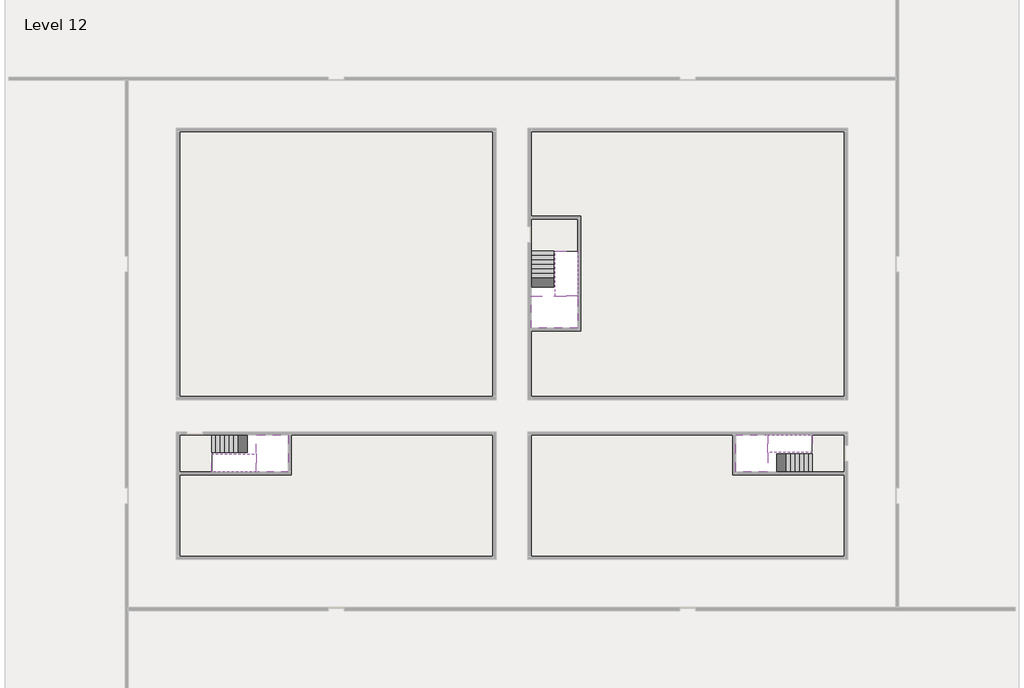
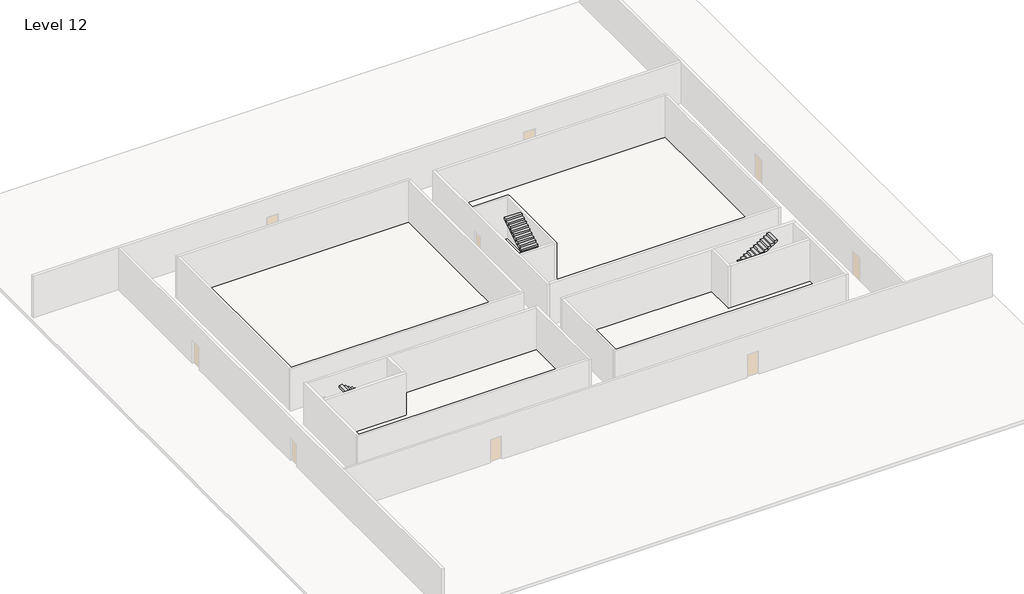
# One storey, part 2 of 2: 6 stair flights, 5 slabs.
"""IFC4 building model written with IfcOpenShell, lengths in millimetres."""

from ifc_helpers import new_model, si_unit, frame, origin, place, context, project, spatial, polyline, outline, extrude, faceted_brep, element, save

model = new_model("IFC4")

# Units and contexts
model_context = context("Model", 3, world=origin())
ifc_project = project(units=[si_unit("LENGTHUNIT", "METRE", prefix="MILLI")], contexts=[model_context])

# Site, building, storey
site = spatial("IfcSite", under=ifc_project)
building = spatial("IfcBuilding", under=site)
storey = spatial("IfcBuildingStorey", under=building, Name="Level 12", Elevation=41800.0)

# Slabs
placement = place(None, origin())
element("IfcSlab", 1, at=placement, inside=storey, context=model_context, shape_type="Brep", body=[
    faceted_brep([(8190.1058784, -42918.09644, 43700.0), (8190.1058784, -44018.09644, 43700.0), (8190.1058784, -44118.09644, 43700.0), (8190.1058784, -45218.09644, 43700.0), (8390.7194421, -45218.09644, 43700.0), (10190.1058784, -45218.09644, 43700.0), (10190.1058784, -42918.09644, 43700.0), (8269.4923146, -42918.09644, 43700.0), (8190.1058784, -42918.09644, 43527.2727273), (8190.1058784, -42918.09644, 43351.0278478), (8190.1058784, -44018.09644, 43351.0278478), (8190.1058784, -44018.09644, 43400.0), (8190.1058784, -44118.09644, 43400.0), (8190.1058784, -44118.09644, 43523.7551205), (8190.1058784, -45218.09644, 43523.7551205), (8390.7194421, -45218.09644, 43400.0), (10190.1058784, -45218.09644, 43400.0), (10190.1058784, -42918.09644, 43400.0), (8269.4923146, -42918.09644, 43400.0), (8390.7194421, -44118.09644, 43400.0), (8269.4923146, -44018.09644, 43400.0)], [[[0, 1, 2, 3, 4, 5, 6, 7]], [[1, 0, 8, 9, 10, 11]], [[2, 1, 11, 12, 13]], [[3, 2, 13, 14]], [[3, 14, 15, 16, 5, 4]], [[6, 5, 16, 17]], [[9, 8, 0, 7, 6, 17, 18]], [[19, 12, 11, 20, 18, 17, 16, 15]], [[12, 19, 13]], [[18, 20, 10, 9]], [[20, 11, 10]], [[19, 15, 14, 13]]]),
])
element("IfcSlab", 2, at=placement, inside=storey, context=model_context, shape_type="Brep", body=[
    faceted_brep([(40190.1058784, -45218.09644, 43700.0), (40190.1058784, -44118.09644, 43700.0), (40190.1058784, -44018.09644, 43700.0), (40190.1058784, -42918.09644, 43700.0), (39989.4923146, -42918.09644, 43700.0), (38190.1058784, -42918.09644, 43700.0), (38190.1058784, -45218.09644, 43700.0), (40110.7194421, -45218.09644, 43700.0), (40190.1058784, -45218.09644, 43527.2727273), (40190.1058784, -45218.09644, 43351.0278478), (40190.1058784, -44118.09644, 43351.0278478), (40190.1058784, -44118.09644, 43400.0), (40190.1058784, -44018.09644, 43400.0), (40190.1058784, -44018.09644, 43523.7551205), (40190.1058784, -42918.09644, 43523.7551205), (39989.4923146, -42918.09644, 43400.0), (38190.1058784, -42918.09644, 43400.0), (38190.1058784, -45218.09644, 43400.0), (40110.7194421, -45218.09644, 43400.0), (39989.4923146, -44018.09644, 43400.0), (40110.7194421, -44118.09644, 43400.0)], [[[0, 1, 2, 3, 4, 5, 6, 7]], [[1, 0, 8, 9, 10, 11]], [[2, 1, 11, 12, 13]], [[3, 2, 13, 14]], [[3, 14, 15, 16, 5, 4]], [[6, 5, 16, 17]], [[9, 8, 0, 7, 6, 17, 18]], [[19, 12, 11, 20, 18, 17, 16, 15]], [[12, 19, 13]], [[18, 20, 10, 9]], [[20, 11, 10]], [[19, 15, 14, 13]]]),
])
element("IfcSlab", 3, at=placement, inside=storey, context=model_context, shape_type="Brep", body=[
    faceted_brep([(26790.1058784, -34218.09644, 43700.0), (25390.1058784, -34218.09644, 43700.0), (25390.1058784, -34297.4828763, 43700.0), (25390.1058784, -36218.09644, 43700.0), (28290.1058784, -36218.09644, 43700.0), (28290.1058784, -34418.7100038, 43700.0), (28290.1058784, -34218.09644, 43700.0), (26890.1058784, -34218.09644, 43700.0), (26790.1058784, -34218.09644, 43400.0), (26790.1058784, -34218.09644, 43351.0278478), (25390.1058784, -34218.09644, 43351.0278478), (25390.1058784, -34218.09644, 43527.2727273), (25390.1058784, -34297.4828763, 43400.0), (25390.1058784, -36218.09644, 43400.0), (28290.1058784, -36218.09644, 43400.0), (28290.1058784, -34418.7100038, 43400.0), (28290.1058784, -34218.09644, 43523.7551205), (26890.1058784, -34218.09644, 43523.7551205), (26890.1058784, -34218.09644, 43400.0), (26890.1058784, -34418.7100038, 43400.0), (26790.1058784, -34297.4828763, 43400.0)], [[[0, 1, 2, 3, 4, 5, 6, 7]], [[1, 0, 8, 9, 10, 11]], [[1, 11, 10, 12, 13, 3, 2]], [[4, 3, 13, 14]], [[4, 14, 15, 16, 6, 5]], [[7, 6, 16, 17]], [[0, 7, 17, 18, 8]], [[18, 19, 15, 14, 13, 12, 20, 8]], [[19, 18, 17]], [[20, 12, 10, 9]], [[8, 20, 9]], [[15, 19, 17, 16]]]),
])
element("IfcSlab", 4, at=placement, inside=storey, context=model_context, shape_type="SweptSolid", body=[
    extrude(outline(polyline([(22990.1058784, -23918.09644), (22990.1058784, -40518.09644), (3390.1058784, -40518.09644), (3390.1058784, -23918.09644), (22990.1058784, -23918.09644)])), frame((0.0, 0.0, 41500.0), z_axis=(0.0, 0.0, 1.0), x_axis=(1.0, 0.0, 0.0)), (0.0, 0.0, 1.0), 300.0),
    extrude(outline(polyline([(44990.1058784, -23918.09644), (44990.1058784, -40518.09644), (25390.1058784, -40518.09644), (25390.1058784, -36418.09644), (28490.1058784, -36418.09644), (28490.1058784, -29218.09644), (25390.1058784, -29218.09644), (25390.1058784, -23918.09644), (44990.1058784, -23918.09644)])), frame((0.0, 0.0, 41500.0), z_axis=(0.0, 0.0, 1.0), x_axis=(1.0, 0.0, 0.0)), (0.0, 0.0, 1.0), 300.0),
    extrude(outline(polyline([(22990.1058784, -42918.09644), (22990.1058784, -50518.09644), (3390.1058784, -50518.09644), (3390.1058784, -45418.09644), (10390.1058784, -45418.09644), (10390.1058784, -42918.09644), (22990.1058784, -42918.09644)])), frame((0.0, 0.0, 41500.0), z_axis=(0.0, 0.0, 1.0), x_axis=(1.0, 0.0, 0.0)), (0.0, 0.0, 1.0), 300.0),
    extrude(outline(polyline([(37990.1058784, -42918.09644), (37990.1058784, -45418.09644), (44990.1058784, -45418.09644), (44990.1058784, -50518.09644), (25390.1058784, -50518.09644), (25390.1058784, -42918.09644), (37990.1058784, -42918.09644)])), frame((0.0, 0.0, 41500.0), z_axis=(0.0, 0.0, 1.0), x_axis=(1.0, 0.0, 0.0)), (0.0, 0.0, 1.0), 300.0),
])
element("IfcSlab", 5, at=placement, inside=storey, context=model_context, shape_type="SweptSolid", body=[
    extrude(outline(polyline([(44990.1058784, -42918.09644), (44990.1058784, -45218.09644), (42990.1058784, -45218.09644), (42990.1058784, -42918.09644), (44990.1058784, -42918.09644)])), frame((0.0, 0.0, 41500.0), z_axis=(0.0, 0.0, 1.0), x_axis=(1.0, 0.0, 0.0)), (0.0, 0.0, 1.0), 300.0),
    extrude(outline(polyline([(5390.1058784, -42918.09644), (5390.1058784, -45218.09644), (3390.1058784, -45218.09644), (3390.1058784, -42918.09644), (5390.1058784, -42918.09644)])), frame((0.0, 0.0, 41500.0), z_axis=(0.0, 0.0, 1.0), x_axis=(1.0, 0.0, 0.0)), (0.0, 0.0, 1.0), 300.0),
    extrude(outline(polyline([(28290.1058784, -29418.09644), (28290.1058784, -31418.09644), (25390.1058784, -31418.09644), (25390.1058784, -29418.09644), (28290.1058784, -29418.09644)])), frame((0.0, 0.0, 41500.0), z_axis=(0.0, 0.0, 1.0), x_axis=(1.0, 0.0, 0.0)), (0.0, 0.0, 1.0), 300.0),
])

# Stair flights
element("IfcStairFlight", 6, at=placement, inside=storey, context=model_context, shape_type="Brep", body=[
    faceted_brep([(5670.1058784, -42918.09644, 41972.7272727), (5390.1058784, -42918.09644, 41972.7272727), (5390.1058784, -44018.09644, 41972.7272727), (5670.1058784, -44018.09644, 41972.7272727), (5670.1058784, -42918.09644, 41800.0), (5390.1058784, -42918.09644, 41800.0), (5390.1058784, -44018.09644, 41800.0), (5670.1058784, -44018.09644, 41800.0), (5950.1058784, -42918.09644, 42145.4545455), (5670.1058784, -42918.09644, 42145.4545455), (5670.1058784, -44018.09644, 42145.4545455), (5950.1058784, -44018.09644, 42145.4545455), (5950.1058784, -42918.09644, 41969.209666), (5675.8081041, -42918.09644, 41800.0), (5675.8081041, -44018.09644, 41800.0), (5950.1058784, -44018.09644, 41969.209666), (6230.1058784, -42918.09644, 42318.1818182), (5950.1058784, -42918.09644, 42318.1818182), (5950.1058784, -44018.09644, 42318.1818182), (6230.1058784, -44018.09644, 42318.1818182), (6230.1058784, -42918.09644, 42141.9369387), (6230.1058784, -44018.09644, 42141.9369387), (6510.1058784, -42918.09644, 42490.9090909), (6230.1058784, -42918.09644, 42490.9090909), (6230.1058784, -44018.09644, 42490.9090909), (6510.1058784, -44018.09644, 42490.9090909), (6510.1058784, -42918.09644, 42314.6642114), (6510.1058784, -44018.09644, 42314.6642114), (6790.1058784, -42918.09644, 42663.6363636), (6510.1058784, -42918.09644, 42663.6363636), (6510.1058784, -44018.09644, 42663.6363636), (6790.1058784, -44018.09644, 42663.6363636), (6790.1058784, -42918.09644, 42487.3914841), (6790.1058784, -44018.09644, 42487.3914841), (7070.1058784, -42918.09644, 42836.3636364), (6790.1058784, -42918.09644, 42836.3636364), (6790.1058784, -44018.09644, 42836.3636364), (7070.1058784, -44018.09644, 42836.3636364), (7070.1058784, -42918.09644, 42660.1187569), (7070.1058784, -44018.09644, 42660.1187569), (7350.1058784, -42918.09644, 43009.0909091), (7070.1058784, -42918.09644, 43009.0909091), (7070.1058784, -44018.09644, 43009.0909091), (7350.1058784, -44018.09644, 43009.0909091), (7350.1058784, -42918.09644, 42832.8460296), (7350.1058784, -44018.09644, 42832.8460296), (7630.1058784, -42918.09644, 43181.8181818), (7350.1058784, -42918.09644, 43181.8181818), (7350.1058784, -44018.09644, 43181.8181818), (7630.1058784, -44018.09644, 43181.8181818), (7630.1058784, -42918.09644, 43005.5733023), (7630.1058784, -44018.09644, 43005.5733023), (7910.1058784, -42918.09644, 43354.5454545), (7630.1058784, -42918.09644, 43354.5454545), (7630.1058784, -44018.09644, 43354.5454545), (7910.1058784, -44018.09644, 43354.5454545), (7910.1058784, -42918.09644, 43178.3005751), (7910.1058784, -44018.09644, 43178.3005751), (8190.1058784, -42918.09644, 43527.2727273), (7910.1058784, -42918.09644, 43527.2727273), (7910.1058784, -44018.09644, 43527.2727273), (8190.1058784, -44018.09644, 43527.2727273), (8190.1058784, -42918.09644, 43351.0278478), (8190.1058784, -44018.09644, 43351.0278478), (8190.1058784, -44018.09644, 43400.0)], [[[0, 1, 2, 3]], [[1, 0, 4, 5]], [[2, 1, 5, 6]], [[3, 2, 6, 7]], [[8, 9, 10, 11]], [[4, 0, 9, 8, 12, 13]], [[0, 3, 10, 9]], [[3, 7, 14, 15, 11, 10]], [[16, 17, 18, 19]], [[17, 16, 20, 12, 8]], [[8, 11, 18, 17]], [[19, 18, 11, 15, 21]], [[22, 23, 24, 25]], [[23, 22, 26, 20, 16]], [[16, 19, 24, 23]], [[25, 24, 19, 21, 27]], [[28, 29, 30, 31]], [[29, 28, 32, 26, 22]], [[22, 25, 30, 29]], [[31, 30, 25, 27, 33]], [[34, 35, 36, 37]], [[35, 34, 38, 32, 28]], [[28, 31, 36, 35]], [[37, 36, 31, 33, 39]], [[40, 41, 42, 43]], [[41, 40, 44, 38, 34]], [[34, 37, 42, 41]], [[43, 42, 37, 39, 45]], [[46, 47, 48, 49]], [[47, 46, 50, 44, 40]], [[40, 43, 48, 47]], [[49, 48, 43, 45, 51]], [[52, 53, 54, 55]], [[53, 52, 56, 50, 46]], [[46, 49, 54, 53]], [[55, 54, 49, 51, 57]], [[58, 59, 60, 61]], [[59, 58, 62, 56, 52]], [[52, 55, 60, 59]], [[61, 60, 55, 57, 63, 64]], [[58, 61, 64, 63, 62]], [[5, 4, 13, 14, 7, 6]], [[14, 13, 12, 20, 26, 32, 38, 44, 50, 56, 62, 63, 57, 51, 45, 39, 33, 27, 21, 15]]]),
])
element("IfcStairFlight", 7, at=placement, inside=storey, context=model_context, shape_type="Brep", body=[
    faceted_brep([(7910.1058784, -45218.09644, 43872.7272727), (8190.1058784, -45218.09644, 43872.7272727), (8190.1058784, -44118.09644, 43872.7272727), (7910.1058784, -44118.09644, 43872.7272727), (7910.1058784, -45218.09644, 43696.4823932), (8190.1058784, -45218.09644, 43523.7551205), (8190.1058784, -45218.09644, 43700.0), (8190.1058784, -44118.09644, 43523.7551205), (7910.1058784, -44118.09644, 43696.4823932), (7630.1058784, -45218.09644, 44045.4545455), (7910.1058784, -45218.09644, 44045.4545455), (7910.1058784, -44118.09644, 44045.4545455), (7630.1058784, -44118.09644, 44045.4545455), (7630.1058784, -45218.09644, 43869.209666), (7630.1058784, -44118.09644, 43869.209666), (7350.1058784, -45218.09644, 44218.1818182), (7630.1058784, -45218.09644, 44218.1818182), (7630.1058784, -44118.09644, 44218.1818182), (7350.1058784, -44118.09644, 44218.1818182), (7350.1058784, -45218.09644, 44041.9369387), (7350.1058784, -44118.09644, 44041.9369387), (7070.1058784, -45218.09644, 44390.9090909), (7350.1058784, -45218.09644, 44390.9090909), (7350.1058784, -44118.09644, 44390.9090909), (7070.1058784, -44118.09644, 44390.9090909), (7070.1058784, -45218.09644, 44214.6642114), (7070.1058784, -44118.09644, 44214.6642114), (6790.1058784, -45218.09644, 44563.6363636), (7070.1058784, -45218.09644, 44563.6363636), (7070.1058784, -44118.09644, 44563.6363636), (6790.1058784, -44118.09644, 44563.6363636), (6790.1058784, -45218.09644, 44387.3914841), (6790.1058784, -44118.09644, 44387.3914841), (6510.1058784, -45218.09644, 44736.3636364), (6790.1058784, -45218.09644, 44736.3636364), (6790.1058784, -44118.09644, 44736.3636364), (6510.1058784, -44118.09644, 44736.3636364), (6510.1058784, -45218.09644, 44560.1187569), (6510.1058784, -44118.09644, 44560.1187569), (6230.1058784, -45218.09644, 44909.0909091), (6510.1058784, -45218.09644, 44909.0909091), (6510.1058784, -44118.09644, 44909.0909091), (6230.1058784, -44118.09644, 44909.0909091), (6230.1058784, -45218.09644, 44732.8460296), (6230.1058784, -44118.09644, 44732.8460296), (5950.1058784, -45218.09644, 45081.8181818), (6230.1058784, -45218.09644, 45081.8181818), (6230.1058784, -44118.09644, 45081.8181818), (5950.1058784, -44118.09644, 45081.8181818), (5950.1058784, -45218.09644, 44905.5733023), (5950.1058784, -44118.09644, 44905.5733023), (5670.1058784, -45218.09644, 45254.5454545), (5950.1058784, -45218.09644, 45254.5454545), (5950.1058784, -44118.09644, 45254.5454545), (5670.1058784, -44118.09644, 45254.5454545), (5670.1058784, -45218.09644, 45078.3005751), (5670.1058784, -44118.09644, 45078.3005751), (5390.1058784, -45218.09644, 45427.2727273), (5670.1058784, -45218.09644, 45427.2727273), (5670.1058784, -44118.09644, 45427.2727273), (5390.1058784, -44118.09644, 45427.2727273), (5390.1058784, -45218.09644, 45251.0278478), (5390.1058784, -44118.09644, 45251.0278478)], [[[0, 1, 2, 3]], [[1, 0, 4, 5, 6]], [[2, 1, 6, 5, 7]], [[3, 2, 7, 8]], [[9, 10, 11, 12]], [[10, 9, 13, 4, 0]], [[11, 10, 0, 3]], [[12, 11, 3, 8, 14]], [[15, 16, 17, 18]], [[16, 15, 19, 13, 9]], [[17, 16, 9, 12]], [[18, 17, 12, 14, 20]], [[21, 22, 23, 24]], [[22, 21, 25, 19, 15]], [[23, 22, 15, 18]], [[24, 23, 18, 20, 26]], [[27, 28, 29, 30]], [[28, 27, 31, 25, 21]], [[29, 28, 21, 24]], [[30, 29, 24, 26, 32]], [[33, 34, 35, 36]], [[34, 33, 37, 31, 27]], [[35, 34, 27, 30]], [[36, 35, 30, 32, 38]], [[39, 40, 41, 42]], [[40, 39, 43, 37, 33]], [[41, 40, 33, 36]], [[42, 41, 36, 38, 44]], [[45, 46, 47, 48]], [[46, 45, 49, 43, 39]], [[47, 46, 39, 42]], [[48, 47, 42, 44, 50]], [[51, 52, 53, 54]], [[52, 51, 55, 49, 45]], [[53, 52, 45, 48]], [[54, 53, 48, 50, 56]], [[57, 58, 59, 60]], [[58, 57, 61, 55, 51]], [[59, 58, 51, 54]], [[60, 59, 54, 56, 62]], [[57, 60, 62, 61]], [[5, 4, 13, 19, 25, 31, 37, 43, 49, 55, 61, 62, 56, 50, 44, 38, 32, 26, 20, 14, 8, 7]]]),
])
element("IfcStairFlight", 8, at=placement, inside=storey, context=model_context, shape_type="Brep", body=[
    faceted_brep([(42710.1058784, -45218.09644, 41972.7272727), (42990.1058784, -45218.09644, 41972.7272727), (42990.1058784, -44118.09644, 41972.7272727), (42710.1058784, -44118.09644, 41972.7272727), (42710.1058784, -45218.09644, 41800.0), (42990.1058784, -45218.09644, 41800.0), (42990.1058784, -44118.09644, 41800.0), (42710.1058784, -44118.09644, 41800.0), (42430.1058784, -45218.09644, 42145.4545455), (42710.1058784, -45218.09644, 42145.4545455), (42710.1058784, -44118.09644, 42145.4545455), (42430.1058784, -44118.09644, 42145.4545455), (42430.1058784, -45218.09644, 41969.209666), (42704.4036527, -45218.09644, 41800.0), (42704.4036527, -44118.09644, 41800.0), (42430.1058784, -44118.09644, 41969.209666), (42150.1058784, -45218.09644, 42318.1818182), (42430.1058784, -45218.09644, 42318.1818182), (42430.1058784, -44118.09644, 42318.1818182), (42150.1058784, -44118.09644, 42318.1818182), (42150.1058784, -45218.09644, 42141.9369387), (42150.1058784, -44118.09644, 42141.9369387), (41870.1058784, -45218.09644, 42490.9090909), (42150.1058784, -45218.09644, 42490.9090909), (42150.1058784, -44118.09644, 42490.9090909), (41870.1058784, -44118.09644, 42490.9090909), (41870.1058784, -45218.09644, 42314.6642114), (41870.1058784, -44118.09644, 42314.6642114), (41590.1058784, -45218.09644, 42663.6363636), (41870.1058784, -45218.09644, 42663.6363636), (41870.1058784, -44118.09644, 42663.6363636), (41590.1058784, -44118.09644, 42663.6363636), (41590.1058784, -45218.09644, 42487.3914841), (41590.1058784, -44118.09644, 42487.3914841), (41310.1058784, -45218.09644, 42836.3636364), (41590.1058784, -45218.09644, 42836.3636364), (41590.1058784, -44118.09644, 42836.3636364), (41310.1058784, -44118.09644, 42836.3636364), (41310.1058784, -45218.09644, 42660.1187569), (41310.1058784, -44118.09644, 42660.1187569), (41030.1058784, -45218.09644, 43009.0909091), (41310.1058784, -45218.09644, 43009.0909091), (41310.1058784, -44118.09644, 43009.0909091), (41030.1058784, -44118.09644, 43009.0909091), (41030.1058784, -45218.09644, 42832.8460296), (41030.1058784, -44118.09644, 42832.8460296), (40750.1058784, -45218.09644, 43181.8181818), (41030.1058784, -45218.09644, 43181.8181818), (41030.1058784, -44118.09644, 43181.8181818), (40750.1058784, -44118.09644, 43181.8181818), (40750.1058784, -45218.09644, 43005.5733023), (40750.1058784, -44118.09644, 43005.5733023), (40470.1058784, -45218.09644, 43354.5454545), (40750.1058784, -45218.09644, 43354.5454545), (40750.1058784, -44118.09644, 43354.5454545), (40470.1058784, -44118.09644, 43354.5454545), (40470.1058784, -45218.09644, 43178.3005751), (40470.1058784, -44118.09644, 43178.3005751), (40190.1058784, -45218.09644, 43527.2727273), (40470.1058784, -45218.09644, 43527.2727273), (40470.1058784, -44118.09644, 43527.2727273), (40190.1058784, -44118.09644, 43527.2727273), (40190.1058784, -45218.09644, 43351.0278478), (40190.1058784, -44118.09644, 43351.0278478), (40190.1058784, -44118.09644, 43400.0)], [[[0, 1, 2, 3]], [[1, 0, 4, 5]], [[2, 1, 5, 6]], [[3, 2, 6, 7]], [[8, 9, 10, 11]], [[4, 0, 9, 8, 12, 13]], [[0, 3, 10, 9]], [[3, 7, 14, 15, 11, 10]], [[16, 17, 18, 19]], [[17, 16, 20, 12, 8]], [[8, 11, 18, 17]], [[19, 18, 11, 15, 21]], [[22, 23, 24, 25]], [[23, 22, 26, 20, 16]], [[16, 19, 24, 23]], [[25, 24, 19, 21, 27]], [[28, 29, 30, 31]], [[29, 28, 32, 26, 22]], [[22, 25, 30, 29]], [[31, 30, 25, 27, 33]], [[34, 35, 36, 37]], [[35, 34, 38, 32, 28]], [[28, 31, 36, 35]], [[37, 36, 31, 33, 39]], [[40, 41, 42, 43]], [[41, 40, 44, 38, 34]], [[34, 37, 42, 41]], [[43, 42, 37, 39, 45]], [[46, 47, 48, 49]], [[47, 46, 50, 44, 40]], [[40, 43, 48, 47]], [[49, 48, 43, 45, 51]], [[52, 53, 54, 55]], [[53, 52, 56, 50, 46]], [[46, 49, 54, 53]], [[55, 54, 49, 51, 57]], [[58, 59, 60, 61]], [[59, 58, 62, 56, 52]], [[52, 55, 60, 59]], [[61, 60, 55, 57, 63, 64]], [[58, 61, 64, 63, 62]], [[5, 4, 13, 14, 7, 6]], [[14, 13, 12, 20, 26, 32, 38, 44, 50, 56, 62, 63, 57, 51, 45, 39, 33, 27, 21, 15]]]),
])
element("IfcStairFlight", 9, at=placement, inside=storey, context=model_context, shape_type="Brep", body=[
    faceted_brep([(40470.1058784, -42918.09644, 43872.7272727), (40190.1058784, -42918.09644, 43872.7272727), (40190.1058784, -44018.09644, 43872.7272727), (40470.1058784, -44018.09644, 43872.7272727), (40470.1058784, -42918.09644, 43696.4823932), (40190.1058784, -42918.09644, 43523.7551205), (40190.1058784, -42918.09644, 43700.0), (40190.1058784, -44018.09644, 43523.7551205), (40470.1058784, -44018.09644, 43696.4823932), (40750.1058784, -42918.09644, 44045.4545455), (40470.1058784, -42918.09644, 44045.4545455), (40470.1058784, -44018.09644, 44045.4545455), (40750.1058784, -44018.09644, 44045.4545455), (40750.1058784, -42918.09644, 43869.209666), (40750.1058784, -44018.09644, 43869.209666), (41030.1058784, -42918.09644, 44218.1818182), (40750.1058784, -42918.09644, 44218.1818182), (40750.1058784, -44018.09644, 44218.1818182), (41030.1058784, -44018.09644, 44218.1818182), (41030.1058784, -42918.09644, 44041.9369387), (41030.1058784, -44018.09644, 44041.9369387), (41310.1058784, -42918.09644, 44390.9090909), (41030.1058784, -42918.09644, 44390.9090909), (41030.1058784, -44018.09644, 44390.9090909), (41310.1058784, -44018.09644, 44390.9090909), (41310.1058784, -42918.09644, 44214.6642114), (41310.1058784, -44018.09644, 44214.6642114), (41590.1058784, -42918.09644, 44563.6363636), (41310.1058784, -42918.09644, 44563.6363636), (41310.1058784, -44018.09644, 44563.6363636), (41590.1058784, -44018.09644, 44563.6363636), (41590.1058784, -42918.09644, 44387.3914841), (41590.1058784, -44018.09644, 44387.3914841), (41870.1058784, -42918.09644, 44736.3636364), (41590.1058784, -42918.09644, 44736.3636364), (41590.1058784, -44018.09644, 44736.3636364), (41870.1058784, -44018.09644, 44736.3636364), (41870.1058784, -42918.09644, 44560.1187569), (41870.1058784, -44018.09644, 44560.1187569), (42150.1058784, -42918.09644, 44909.0909091), (41870.1058784, -42918.09644, 44909.0909091), (41870.1058784, -44018.09644, 44909.0909091), (42150.1058784, -44018.09644, 44909.0909091), (42150.1058784, -42918.09644, 44732.8460296), (42150.1058784, -44018.09644, 44732.8460296), (42430.1058784, -42918.09644, 45081.8181818), (42150.1058784, -42918.09644, 45081.8181818), (42150.1058784, -44018.09644, 45081.8181818), (42430.1058784, -44018.09644, 45081.8181818), (42430.1058784, -42918.09644, 44905.5733023), (42430.1058784, -44018.09644, 44905.5733023), (42710.1058784, -42918.09644, 45254.5454545), (42430.1058784, -42918.09644, 45254.5454545), (42430.1058784, -44018.09644, 45254.5454545), (42710.1058784, -44018.09644, 45254.5454545), (42710.1058784, -42918.09644, 45078.3005751), (42710.1058784, -44018.09644, 45078.3005751), (42990.1058784, -42918.09644, 45427.2727273), (42710.1058784, -42918.09644, 45427.2727273), (42710.1058784, -44018.09644, 45427.2727273), (42990.1058784, -44018.09644, 45427.2727273), (42990.1058784, -42918.09644, 45251.0278478), (42990.1058784, -44018.09644, 45251.0278478)], [[[0, 1, 2, 3]], [[1, 0, 4, 5, 6]], [[2, 1, 6, 5, 7]], [[3, 2, 7, 8]], [[9, 10, 11, 12]], [[10, 9, 13, 4, 0]], [[11, 10, 0, 3]], [[12, 11, 3, 8, 14]], [[15, 16, 17, 18]], [[16, 15, 19, 13, 9]], [[17, 16, 9, 12]], [[18, 17, 12, 14, 20]], [[21, 22, 23, 24]], [[22, 21, 25, 19, 15]], [[23, 22, 15, 18]], [[24, 23, 18, 20, 26]], [[27, 28, 29, 30]], [[28, 27, 31, 25, 21]], [[29, 28, 21, 24]], [[30, 29, 24, 26, 32]], [[33, 34, 35, 36]], [[34, 33, 37, 31, 27]], [[35, 34, 27, 30]], [[36, 35, 30, 32, 38]], [[39, 40, 41, 42]], [[40, 39, 43, 37, 33]], [[41, 40, 33, 36]], [[42, 41, 36, 38, 44]], [[45, 46, 47, 48]], [[46, 45, 49, 43, 39]], [[47, 46, 39, 42]], [[48, 47, 42, 44, 50]], [[51, 52, 53, 54]], [[52, 51, 55, 49, 45]], [[53, 52, 45, 48]], [[54, 53, 48, 50, 56]], [[57, 58, 59, 60]], [[58, 57, 61, 55, 51]], [[59, 58, 51, 54]], [[60, 59, 54, 56, 62]], [[57, 60, 62, 61]], [[5, 4, 13, 19, 25, 31, 37, 43, 49, 55, 61, 62, 56, 50, 44, 38, 32, 26, 20, 14, 8, 7]]]),
])
element("IfcStairFlight", 10, at=placement, inside=storey, context=model_context, shape_type="Brep", body=[
    faceted_brep([(26790.1058784, -31698.09644, 41972.7272727), (26790.1058784, -31418.09644, 41972.7272727), (25390.1058784, -31418.09644, 41972.7272727), (25390.1058784, -31698.09644, 41972.7272727), (26790.1058784, -31698.09644, 41800.0), (26790.1058784, -31418.09644, 41800.0), (25390.1058784, -31418.09644, 41800.0), (25390.1058784, -31698.09644, 41800.0), (26790.1058784, -31978.09644, 42145.4545455), (26790.1058784, -31698.09644, 42145.4545455), (25390.1058784, -31698.09644, 42145.4545455), (25390.1058784, -31978.09644, 42145.4545455), (26790.1058784, -31978.09644, 41969.209666), (26790.1058784, -31703.7986657, 41800.0), (25390.1058784, -31703.7986657, 41800.0), (25390.1058784, -31978.09644, 41969.209666), (26790.1058784, -32258.09644, 42318.1818182), (26790.1058784, -31978.09644, 42318.1818182), (25390.1058784, -31978.09644, 42318.1818182), (25390.1058784, -32258.09644, 42318.1818182), (26790.1058784, -32258.09644, 42141.9369387), (25390.1058784, -32258.09644, 42141.9369387), (26790.1058784, -32538.09644, 42490.9090909), (26790.1058784, -32258.09644, 42490.9090909), (25390.1058784, -32258.09644, 42490.9090909), (25390.1058784, -32538.09644, 42490.9090909), (26790.1058784, -32538.09644, 42314.6642114), (25390.1058784, -32538.09644, 42314.6642114), (26790.1058784, -32818.09644, 42663.6363636), (26790.1058784, -32538.09644, 42663.6363636), (25390.1058784, -32538.09644, 42663.6363636), (25390.1058784, -32818.09644, 42663.6363636), (26790.1058784, -32818.09644, 42487.3914841), (25390.1058784, -32818.09644, 42487.3914841), (26790.1058784, -33098.09644, 42836.3636364), (26790.1058784, -32818.09644, 42836.3636364), (25390.1058784, -32818.09644, 42836.3636364), (25390.1058784, -33098.09644, 42836.3636364), (26790.1058784, -33098.09644, 42660.1187569), (25390.1058784, -33098.09644, 42660.1187569), (26790.1058784, -33378.09644, 43009.0909091), (26790.1058784, -33098.09644, 43009.0909091), (25390.1058784, -33098.09644, 43009.0909091), (25390.1058784, -33378.09644, 43009.0909091), (26790.1058784, -33378.09644, 42832.8460296), (25390.1058784, -33378.09644, 42832.8460296), (26790.1058784, -33658.09644, 43181.8181818), (26790.1058784, -33378.09644, 43181.8181818), (25390.1058784, -33378.09644, 43181.8181818), (25390.1058784, -33658.09644, 43181.8181818), (26790.1058784, -33658.09644, 43005.5733023), (25390.1058784, -33658.09644, 43005.5733023), (26790.1058784, -33938.09644, 43354.5454545), (26790.1058784, -33658.09644, 43354.5454545), (25390.1058784, -33658.09644, 43354.5454545), (25390.1058784, -33938.09644, 43354.5454545), (26790.1058784, -33938.09644, 43178.3005751), (25390.1058784, -33938.09644, 43178.3005751), (26790.1058784, -34218.09644, 43527.2727273), (26790.1058784, -33938.09644, 43527.2727273), (25390.1058784, -33938.09644, 43527.2727273), (25390.1058784, -34218.09644, 43527.2727273), (26790.1058784, -34218.09644, 43400.0), (26790.1058784, -34218.09644, 43351.0278478), (25390.1058784, -34218.09644, 43351.0278478)], [[[0, 1, 2, 3]], [[1, 0, 4, 5]], [[2, 1, 5, 6]], [[3, 2, 6, 7]], [[8, 9, 10, 11]], [[4, 0, 9, 8, 12, 13]], [[0, 3, 10, 9]], [[3, 7, 14, 15, 11, 10]], [[16, 17, 18, 19]], [[17, 16, 20, 12, 8]], [[8, 11, 18, 17]], [[19, 18, 11, 15, 21]], [[22, 23, 24, 25]], [[23, 22, 26, 20, 16]], [[16, 19, 24, 23]], [[25, 24, 19, 21, 27]], [[28, 29, 30, 31]], [[29, 28, 32, 26, 22]], [[22, 25, 30, 29]], [[31, 30, 25, 27, 33]], [[34, 35, 36, 37]], [[35, 34, 38, 32, 28]], [[28, 31, 36, 35]], [[37, 36, 31, 33, 39]], [[40, 41, 42, 43]], [[41, 40, 44, 38, 34]], [[34, 37, 42, 41]], [[43, 42, 37, 39, 45]], [[46, 47, 48, 49]], [[47, 46, 50, 44, 40]], [[40, 43, 48, 47]], [[49, 48, 43, 45, 51]], [[52, 53, 54, 55]], [[53, 52, 56, 50, 46]], [[46, 49, 54, 53]], [[55, 54, 49, 51, 57]], [[58, 59, 60, 61]], [[59, 58, 62, 63, 56, 52]], [[52, 55, 60, 59]], [[61, 60, 55, 57, 64]], [[58, 61, 64, 63, 62]], [[5, 4, 13, 14, 7, 6]], [[14, 13, 12, 20, 26, 32, 38, 44, 50, 56, 63, 64, 57, 51, 45, 39, 33, 27, 21, 15]]]),
])
element("IfcStairFlight", 11, at=placement, inside=storey, context=model_context, shape_type="Brep", body=[
    faceted_brep([(26890.1058784, -33938.09644, 43872.7272727), (26890.1058784, -34218.09644, 43872.7272727), (28290.1058784, -34218.09644, 43872.7272727), (28290.1058784, -33938.09644, 43872.7272727), (26890.1058784, -33938.09644, 43696.4823932), (26890.1058784, -34218.09644, 43523.7551205), (28290.1058784, -34218.09644, 43523.7551205), (28290.1058784, -34218.09644, 43700.0), (28290.1058784, -33938.09644, 43696.4823932), (26890.1058784, -33658.09644, 44045.4545455), (26890.1058784, -33938.09644, 44045.4545455), (28290.1058784, -33938.09644, 44045.4545455), (28290.1058784, -33658.09644, 44045.4545455), (26890.1058784, -33658.09644, 43869.209666), (28290.1058784, -33658.09644, 43869.209666), (26890.1058784, -33378.09644, 44218.1818182), (26890.1058784, -33658.09644, 44218.1818182), (28290.1058784, -33658.09644, 44218.1818182), (28290.1058784, -33378.09644, 44218.1818182), (26890.1058784, -33378.09644, 44041.9369387), (28290.1058784, -33378.09644, 44041.9369387), (26890.1058784, -33098.09644, 44390.9090909), (26890.1058784, -33378.09644, 44390.9090909), (28290.1058784, -33378.09644, 44390.9090909), (28290.1058784, -33098.09644, 44390.9090909), (26890.1058784, -33098.09644, 44214.6642114), (28290.1058784, -33098.09644, 44214.6642114), (26890.1058784, -32818.09644, 44563.6363636), (26890.1058784, -33098.09644, 44563.6363636), (28290.1058784, -33098.09644, 44563.6363636), (28290.1058784, -32818.09644, 44563.6363636), (26890.1058784, -32818.09644, 44387.3914841), (28290.1058784, -32818.09644, 44387.3914841), (26890.1058784, -32538.09644, 44736.3636364), (26890.1058784, -32818.09644, 44736.3636364), (28290.1058784, -32818.09644, 44736.3636364), (28290.1058784, -32538.09644, 44736.3636364), (26890.1058784, -32538.09644, 44560.1187569), (28290.1058784, -32538.09644, 44560.1187569), (26890.1058784, -32258.09644, 44909.0909091), (26890.1058784, -32538.09644, 44909.0909091), (28290.1058784, -32538.09644, 44909.0909091), (28290.1058784, -32258.09644, 44909.0909091), (26890.1058784, -32258.09644, 44732.8460296), (28290.1058784, -32258.09644, 44732.8460296), (26890.1058784, -31978.09644, 45081.8181818), (26890.1058784, -32258.09644, 45081.8181818), (28290.1058784, -32258.09644, 45081.8181818), (28290.1058784, -31978.09644, 45081.8181818), (26890.1058784, -31978.09644, 44905.5733023), (28290.1058784, -31978.09644, 44905.5733023), (26890.1058784, -31698.09644, 45254.5454545), (26890.1058784, -31978.09644, 45254.5454545), (28290.1058784, -31978.09644, 45254.5454545), (28290.1058784, -31698.09644, 45254.5454545), (26890.1058784, -31698.09644, 45078.3005751), (28290.1058784, -31698.09644, 45078.3005751), (26890.1058784, -31418.09644, 45427.2727273), (26890.1058784, -31698.09644, 45427.2727273), (28290.1058784, -31698.09644, 45427.2727273), (28290.1058784, -31418.09644, 45427.2727273), (26890.1058784, -31418.09644, 45251.0278478), (28290.1058784, -31418.09644, 45251.0278478)], [[[0, 1, 2, 3]], [[1, 0, 4, 5]], [[2, 1, 5, 6, 7]], [[3, 2, 7, 6, 8]], [[9, 10, 11, 12]], [[10, 9, 13, 4, 0]], [[11, 10, 0, 3]], [[12, 11, 3, 8, 14]], [[15, 16, 17, 18]], [[16, 15, 19, 13, 9]], [[17, 16, 9, 12]], [[18, 17, 12, 14, 20]], [[21, 22, 23, 24]], [[22, 21, 25, 19, 15]], [[23, 22, 15, 18]], [[24, 23, 18, 20, 26]], [[27, 28, 29, 30]], [[28, 27, 31, 25, 21]], [[29, 28, 21, 24]], [[30, 29, 24, 26, 32]], [[33, 34, 35, 36]], [[34, 33, 37, 31, 27]], [[35, 34, 27, 30]], [[36, 35, 30, 32, 38]], [[39, 40, 41, 42]], [[40, 39, 43, 37, 33]], [[41, 40, 33, 36]], [[42, 41, 36, 38, 44]], [[45, 46, 47, 48]], [[46, 45, 49, 43, 39]], [[47, 46, 39, 42]], [[48, 47, 42, 44, 50]], [[51, 52, 53, 54]], [[52, 51, 55, 49, 45]], [[53, 52, 45, 48]], [[54, 53, 48, 50, 56]], [[57, 58, 59, 60]], [[58, 57, 61, 55, 51]], [[59, 58, 51, 54]], [[60, 59, 54, 56, 62]], [[57, 60, 62, 61]], [[5, 4, 13, 19, 25, 31, 37, 43, 49, 55, 61, 62, 56, 50, 44, 38, 32, 26, 20, 14, 8, 6]]]),
])

save(model, "model.ifc")
